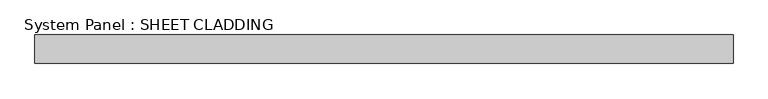
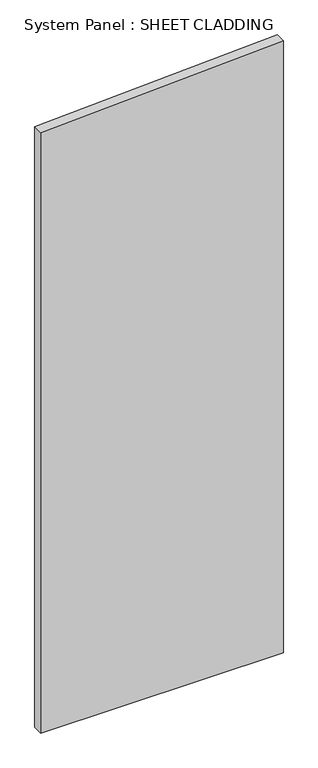
"""IFC4 building model written with IfcOpenShell, lengths in millimetres: plate geometry, System Panel : SHEET CLADDING."""

from ifc_helpers import new_model, si_unit, frame, origin, place, context, project, spatial, polyline, outline, extrude, source, transform, mapped, element, save


def system_panel_sheet_cladding_23656091(model_context):
    return source(origin(), model_context, "Body", "SweptSolid", [
        extrude(outline(polyline([(0.0, -735.4591837), (0.0, 735.4591837), (3917.6510204, 735.4591837), (3844.105102, -735.4591837), (0.0, -735.4591837)])), frame((0.0, -10.5, 0.0), z_axis=(0.0, 1.0, 0.0), x_axis=(0.0, 0.0, 1.0)), (0.0, 0.0, 1.0), 60.0),
    ])


if __name__ == "__main__":
    model = new_model("IFC4")
    model_context = context("Model", 3, world=origin())
    ifc_project = project(units=[si_unit("LENGTHUNIT", "METRE", prefix="MILLI")], contexts=[model_context])
    site = spatial("IfcSite", under=ifc_project)
    building = spatial("IfcBuilding", under=site)
    placement = place(None, origin())
    system_panel_sheet_cladding_shape = system_panel_sheet_cladding_23656091(model_context)
    element("IfcPlate", 1, ObjectType="System Panel : SHEET CLADDING", at=placement, inside=building, context=model_context, shape_type="MappedRepresentation", body=[
        mapped(system_panel_sheet_cladding_shape, transform((0.0, 0.0, 0.0), x_axis=(1.0, 0.0, 0.0), y_axis=(0.0, 1.0, 0.0), z_axis=(0.0, 0.0, 1.0))),
    ])
    save(model, "model.ifc")
